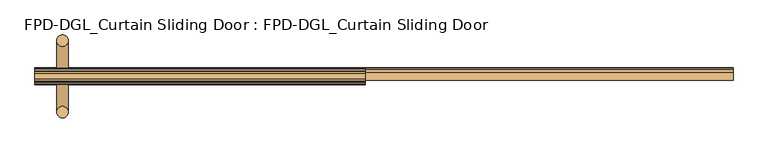
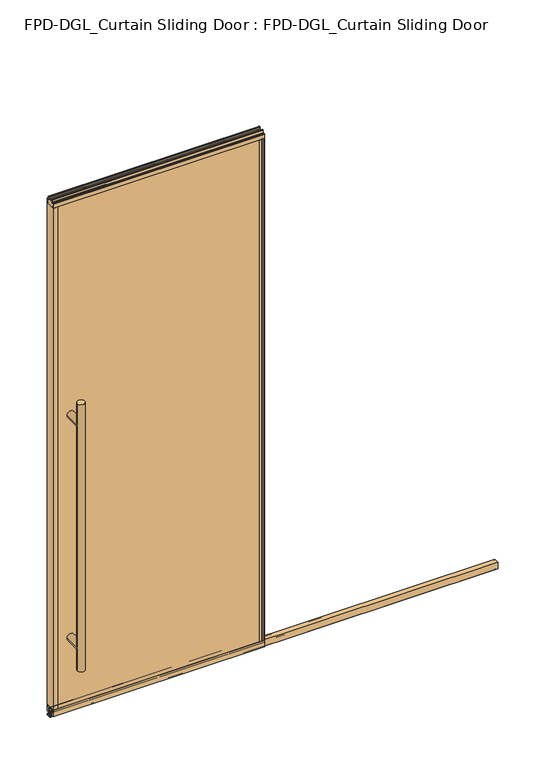
"""IFC4 building model written with IfcOpenShell, lengths in millimetres: door geometry, FPD-DGL_Curtain Sliding Door : FPD-DGL_Curtain Sliding Door."""

import ifcopenshell
import ifcopenshell.guid

model = None  # the IFC model being written
_history = None  # IfcOwnerHistory: only IFC2X3 demands one
_inside = {}  # id of a spatial element -> (the spatial element, [elements in it])
_under = {}  # id of a project, library or spatial element -> (it, [spatial elements below it])
_declared = {}  # id of a project -> (the project, [libraries it declares])
_typed = {}  # id of a type object -> (the type object, [elements of that type])
_made_of = {}  # id of a material, layer set ... -> (it, [elements and type objects made of it])


def new_model(schema):
    """Start an empty IFC model of exactly this schema.

    Asked for "IFC4X3", IfcOpenShell would pick the latest addendum, in which some entities
    have other attributes; the version numbers below select the first issue.
    IFC2X3 requires an IfcOwnerHistory on every rooted entity: one is made here for all.
    """
    global model, _history
    if schema == "IFC4X3":
        model = ifcopenshell.file(schema_version=(4, 3, 0, 0))
    else:
        model = ifcopenshell.file(schema=schema)
    _inside.clear()
    _under.clear()
    _declared.clear()
    _typed.clear()
    _made_of.clear()
    _history = None
    if model.schema == "IFC2X3":
        org = make("IfcOrganization", Name="unknown")
        user = make(
            "IfcPersonAndOrganization",
            ThePerson=make("IfcPerson", FamilyName="unknown"),
            TheOrganization=org,
        )
        app = make(
            "IfcApplication",
            ApplicationDeveloper=org,
            Version="unknown",
            ApplicationFullName="unknown",
            ApplicationIdentifier="unknown",
        )
        _history = make(
            "IfcOwnerHistory",
            OwningUser=user,
            OwningApplication=app,
            ChangeAction="ADDED",
            CreationDate=0,
        )
    return model


def make(cls, **values):
    """One entity of the class cls with the attributes given. An attribute that is None is left unset."""
    return model.create_entity(
        cls, **{name: value for name, value in values.items() if value is not None}
    )


def rooted(cls, **values):
    """An entity with a GlobalId (a new one), such as an element, a storey or a relation."""
    return make(cls, GlobalId=ifcopenshell.guid.new(), OwnerHistory=_history, **values)


def si_unit(unit_type, name, prefix=None):
    """IfcSIUnit, for example si_unit("LENGTHUNIT", "METRE", prefix="MILLI")."""
    return make("IfcSIUnit", UnitType=unit_type, Prefix=prefix, Name=name)


def assignment(units):
    """IfcUnitAssignment: the units of a project."""
    return None if units is None else make("IfcUnitAssignment", Units=units)


def point(xyz):
    """IfcCartesianPoint."""
    return None if xyz is None else make("IfcCartesianPoint", Coordinates=xyz)


def direction(xyz):
    """IfcDirection."""
    return None if xyz is None else make("IfcDirection", DirectionRatios=xyz)


def frame(location, z_axis=None, x_axis=None):
    """IfcAxis2Placement3D, a coordinate frame: its origin and axes. An axis left out is left unset."""
    return make(
        "IfcAxis2Placement3D",
        Location=point(location),
        Axis=direction(z_axis),
        RefDirection=direction(x_axis),
    )


def frame_2d(location, x_axis=None):
    """IfcAxis2Placement2D, a coordinate frame in the plane: its origin and x axis."""
    return make(
        "IfcAxis2Placement2D", Location=point(location), RefDirection=direction(x_axis)
    )


def origin():
    """The frame at (0, 0, 0) with its axes left unset."""
    return frame((0.0, 0.0, 0.0))


def place(relative_to, where):
    """IfcLocalPlacement: puts the frame where relative to a parent placement (None: the world)."""
    return make(
        "IfcLocalPlacement", PlacementRelTo=relative_to, RelativePlacement=where
    )


def context(
    kind, dimensions, precision=None, world=None, true_north=None, identifier=None
):
    """IfcGeometricRepresentationContext, for example the 3D "Model" context."""
    return make(
        "IfcGeometricRepresentationContext",
        ContextIdentifier=identifier,
        ContextType=kind,
        CoordinateSpaceDimension=dimensions,
        Precision=precision,
        WorldCoordinateSystem=world,
        TrueNorth=true_north,
    )


def project(units=None, contexts=None):
    """IfcProject with its units and contexts."""
    return rooted(
        "IfcProject",
        Name="project",
        RepresentationContexts=contexts,
        UnitsInContext=assignment(units),
    )


def spatial(cls, under=None, at=None, **own):
    """A site, building, storey or space (cls), placed at a placement, below another one or the project."""
    s = rooted(cls, ObjectPlacement=at, **own)
    if under is not None:
        _under.setdefault(under.id(), (under, []))[1].append(s)
    return s


def polyline(points):
    """IfcPolyline through the points."""
    return make("IfcPolyline", Points=[point(p) for p in points])


def circle_curve(where, radius):
    """IfcCircle in the frame where."""
    return make("IfcCircle", Position=where, Radius=radius)


def ellipse_curve(where, semi_axis1, semi_axis2):
    """IfcEllipse in the frame where."""
    return make(
        "IfcEllipse", Position=where, SemiAxis1=semi_axis1, SemiAxis2=semi_axis2
    )


def trimmed(basis, trim1, trim2, sense, master):
    """IfcTrimmedCurve: the piece of a basis curve between two trims."""
    return make(
        "IfcTrimmedCurve",
        BasisCurve=basis,
        Trim1=trim1,
        Trim2=trim2,
        SenseAgreement=sense,
        MasterRepresentation=master,
    )


def segment(curve, same_sense, transition):
    """IfcCompositeCurveSegment."""
    return make(
        "IfcCompositeCurveSegment",
        Transition=transition,
        SameSense=same_sense,
        ParentCurve=curve,
    )


def composite_curve(segments, self_intersect=None):
    """IfcCompositeCurve: segments joined end to end."""
    return make("IfcCompositeCurve", Segments=segments, SelfIntersect=self_intersect)


def outline(outer, holes=None, kind="AREA"):
    """IfcArbitraryClosedProfileDef: a profile drawn as a closed curve; with holes, ...WithVoids."""
    if holes is None:
        return make("IfcArbitraryClosedProfileDef", ProfileType=kind, OuterCurve=outer)
    return make(
        "IfcArbitraryProfileDefWithVoids",
        ProfileType=kind,
        OuterCurve=outer,
        InnerCurves=holes,
    )


def extrude(swept, where, along, depth):
    """IfcExtrudedAreaSolid: the profile swept, set in the frame where, extruded along a direction by depth."""
    return make(
        "IfcExtrudedAreaSolid",
        SweptArea=swept,
        Position=where,
        ExtrudedDirection=direction(along),
        Depth=depth,
    )


def shape(context_of_items, identifier, shape_type, items):
    """IfcShapeRepresentation: the items that make up one representation, for example the "Body"."""
    return make(
        "IfcShapeRepresentation",
        ContextOfItems=context_of_items,
        RepresentationIdentifier=identifier,
        RepresentationType=shape_type,
        Items=items,
    )


def source(mapping_origin, context_of_items, identifier, shape_type, items):
    """IfcRepresentationMap: a shape defined once, which mapped items show again and again."""
    return make(
        "IfcRepresentationMap",
        MappingOrigin=mapping_origin,
        MappedRepresentation=shape(context_of_items, identifier, shape_type, items),
    )


def transform(
    local_origin,
    x_axis=None,
    y_axis=None,
    z_axis=None,
    scale=None,
    scale2=None,
    scale3=None,
    uniform=True,
):
    """IfcCartesianTransformationOperator3D, or its non-uniform kind. x_axis, y_axis, z_axis: its Axis1, 2, 3."""
    if uniform:
        return make(
            "IfcCartesianTransformationOperator3D",
            Axis1=direction(x_axis),
            Axis2=direction(y_axis),
            LocalOrigin=point(local_origin),
            Scale=scale,
            Axis3=direction(z_axis),
        )
    return make(
        "IfcCartesianTransformationOperator3DnonUniform",
        Axis1=direction(x_axis),
        Axis2=direction(y_axis),
        LocalOrigin=point(local_origin),
        Scale=scale,
        Axis3=direction(z_axis),
        Scale2=scale2,
        Scale3=scale3,
    )


def mapped(mapping_source, mapping_target):
    """IfcMappedItem: shows the shape of a source again, moved by a transform."""
    return make(
        "IfcMappedItem", MappingSource=mapping_source, MappingTarget=mapping_target
    )


def made_of(thing, what):
    """Note that an element or type object is made of a material, layer set ...; save() writes the relation."""
    if what is not None:
        _made_of.setdefault(what.id(), (what, []))[1].append(thing)
    return thing


def element(
    cls,
    number,
    at=None,
    inside=None,
    cuts=None,
    type_object=None,
    material=None,
    context=None,
    identifier="Body",
    shape_type=None,
    held_by="IfcProductDefinitionShape",
    body=None,
    shapes=None,
    **own,
):
    """One element of the class cls, such as IfcWall. Its Tag is "e" and its number.

    at: its placement. inside: the storey or other place that contains it. cuts: it is an
    opening in that element (IfcRelVoidsElement). A single representation is given by context,
    identifier, shape_type and body (its items); several are given by shapes. held_by: the class
    of the entity that holds the representations. save() writes the other relations.
    """
    e = rooted(cls, Tag="e%d" % number, ObjectPlacement=at, **own)
    if body is not None:
        shapes = [shape(context, identifier, shape_type, body)]
    if shapes is not None:
        e.Representation = make(held_by, Representations=shapes)
    if inside is not None:
        _inside.setdefault(inside.id(), (inside, []))[1].append(e)
    if cuts is not None:
        rooted(
            "IfcRelVoidsElement", RelatingBuildingElement=cuts, RelatedOpeningElement=e
        )
    if type_object is not None:
        _typed.setdefault(type_object.id(), (type_object, []))[1].append(e)
    return made_of(e, material)


def aggregate(whole, parts):
    """IfcRelAggregates: a whole, such as a stair, and the parts it consists of."""
    return rooted("IfcRelAggregates", RelatingObject=whole, RelatedObjects=parts)


def save(model, path):
    """Write the relations noted so far, then the file.

    IfcRelAggregates (storeys below a building ...), IfcRelContainedInSpatialStructure (elements
    in a storey), IfcRelDefinesByType, IfcRelAssociatesMaterial and IfcRelDeclares: one each for
    every whole, place, type object, material and project.
    """
    for whole, parts in _under.values():
        aggregate(whole, parts)
    for where, things in _inside.values():
        rooted(
            "IfcRelContainedInSpatialStructure",
            RelatedElements=things,
            RelatingStructure=where,
        )
    for kind, things in _typed.values():
        rooted("IfcRelDefinesByType", RelatedObjects=things, RelatingType=kind)
    for what, things in _made_of.values():
        rooted("IfcRelAssociatesMaterial", RelatedObjects=things, RelatingMaterial=what)
    for by, libraries in _declared.values():
        rooted("IfcRelDeclares", RelatingContext=by, RelatedDefinitions=libraries)
    model.write(path)


def plane_surface(at):
    """IfcPlane: the flat surface through the origin of the frame at, square to its z axis."""
    return make("IfcPlane", Position=at)


def cylinder_surface(at, radius):
    """IfcCylindricalSurface: all points at the distance radius from the z axis of the frame at."""
    return make("IfcCylindricalSurface", Position=at, Radius=radius)


def advanced_brep(points, edges, surfaces, faces):
    """IfcAdvancedBrep: a solid bounded by faces that lie on surfaces and meet in shared edges.

    An edge is (start, end): straight between two places in points (the first is 0);
    or (start, end, curve); or (start, end, curve, False) where it runs against its curve.
    A face is (place in surfaces, loops), or (place, loops, False) where it looks against
    its surface's normal. A loop lists edges by number (the first is 1), with a minus sign
    where the edge is run from its end to its start. The first loop is the outer one.
    """
    corners = [point(p) for p in points]
    vertices = [make("IfcVertexPoint", VertexGeometry=c) for c in corners]
    made = []
    for start, end, *more in edges:
        made.append(
            make(
                "IfcEdgeCurve",
                EdgeStart=vertices[start],
                EdgeEnd=vertices[end],
                EdgeGeometry=more[0] if more else make("IfcPolyline", Points=[corners[start], corners[end]]),
                SameSense=more[1] if len(more) > 1 else True,
            )
        )
    hull = []
    for where, loops, *sense in faces:
        bounds = []
        for j, loop in enumerate(loops):
            ring = [make("IfcOrientedEdge", EdgeElement=made[abs(k) - 1], Orientation=k > 0) for k in loop]
            bounds.append(
                make(
                    "IfcFaceOuterBound" if j == 0 else "IfcFaceBound",
                    Bound=make("IfcEdgeLoop", EdgeList=ring),
                    Orientation=True,
                )
            )
        hull.append(make("IfcAdvancedFace", Bounds=bounds, FaceSurface=surfaces[where], SameSense=sense[0] if sense else True))
    return make("IfcAdvancedBrep", Outer=make("IfcClosedShell", CfsFaces=hull))


def fpd_dgl_curtain_sliding_door_fpd_dgl_curtain_sliding_door_5f56debf(model_context):
    return source(origin(), model_context, "Body", "SolidModel", [
        advanced_brep(
        [(-364.33125, 98.628049, 1473.2), (-396.08125, 98.628049, 1473.2), (-364.33125, -98.5969566, 1473.2), (-396.08125, -98.5969566, 1473.2), (-364.33125, 98.628049, 254.0), (-396.08125, 98.628049, 254.0), (-364.33125, -98.5969566, 254.0), (-396.08125, -98.5969566, 254.0), (-364.33125, 98.628049, 355.6), (-396.08125, 98.628049, 355.6), (-364.33125, 98.628049, 1371.6), (-396.08125, 98.628049, 1371.6), (-396.08125, -98.5969566, 1371.6), (-396.08125, -98.5969566, 355.6), (-364.33125, -98.5969566, 355.6), (-364.33125, -98.5969566, 1371.6)],
        [
            (0, 1, circle_curve(frame((-380.20625, 98.628049, 1473.2), z_axis=(0.0, 0.0, 1.0), x_axis=(-1.0, 0.0, 0.0)), 15.875)),
            (1, 0, circle_curve(frame((-380.20625, 98.628049, 1473.2), z_axis=(0.0, 0.0, 1.0), x_axis=(-1.0, 0.0, 0.0)), 15.875)),
            (2, 3, circle_curve(frame((-380.20625, -98.5969566, 1473.2), z_axis=(0.0, 0.0, 1.0), x_axis=(-1.0, 0.0, 0.0)), 15.875)),
            (3, 2, circle_curve(frame((-380.20625, -98.5969566, 1473.2), z_axis=(0.0, 0.0, 1.0), x_axis=(-1.0, 0.0, 0.0)), 15.875)),
            (4, 5, circle_curve(frame((-380.20625, 98.628049, 254.0), z_axis=(0.0, 0.0, -1.0), x_axis=(-1.0, 0.0, 0.0)), 15.875)),
            (5, 4, circle_curve(frame((-380.20625, 98.628049, 254.0), z_axis=(0.0, 0.0, -1.0), x_axis=(-1.0, 0.0, 0.0)), 15.875)),
            (6, 7, circle_curve(frame((-380.20625, -98.5969566, 254.0), z_axis=(0.0, 0.0, -1.0), x_axis=(-1.0, 0.0, 0.0)), 15.875)),
            (7, 6, circle_curve(frame((-380.20625, -98.5969566, 254.0), z_axis=(0.0, 0.0, -1.0), x_axis=(-1.0, 0.0, 0.0)), 15.875)),
            (4, 8),
            (8, 9, ellipse_curve(frame((-380.20625, 98.628049, 355.6), z_axis=(0.0, 0.7071067811865525, -0.7071067811865427), x_axis=(0.0, 0.7071067811865427, 0.7071067811865523)), 22.4506403, 15.875)),
            (9, 5),
            (10, 11, ellipse_curve(frame((-380.20625, 98.628049, 1371.6), z_axis=(0.0, 0.7071067811865427, -0.7071067811865525), x_axis=(0.0, 0.7071067811865525, 0.7071067811865425)), 22.4506403, 15.875)),
            (11, 9),
            (9, 8, ellipse_curve(frame((-380.20625, 98.628049, 355.6), z_axis=(0.0, 0.7071067811865427, 0.7071067811865525), x_axis=(0.0, -0.7071067811865525, 0.7071067811865425)), 22.4506403, 15.875)),
            (8, 10),
            (1, 11),
            (11, 10, ellipse_curve(frame((-380.20625, 98.628049, 1371.6), z_axis=(0.0, 0.7071067811865525, 0.7071067811865427), x_axis=(0.0, -0.7071067811865427, 0.7071067811865523)), 22.4506403, 15.875)),
            (10, 0),
            (3, 12),
            (12, 13),
            (13, 7),
            (6, 14),
            (14, 15),
            (15, 2),
            (15, 12, ellipse_curve(frame((-380.20625, -98.5969566, 1371.6), z_axis=(0.0, -0.7071067811865427, 0.7071067811865525), x_axis=(0.0, 0.7071067811865525, 0.7071067811865425)), 22.4506403, 15.875)),
            (13, 14, ellipse_curve(frame((-380.20625, -98.5969566, 355.6), z_axis=(0.0, -0.7071067811865427, -0.7071067811865525), x_axis=(0.0, -0.7071067811865525, 0.7071067811865425)), 22.4506403, 15.875)),
            (14, 13, ellipse_curve(frame((-380.20625, -98.5969566, 355.6), z_axis=(0.0, -0.7071067811865525, 0.7071067811865427), x_axis=(0.0, 0.7071067811865427, 0.7071067811865523)), 22.4506403, 15.875)),
            (12, 15, ellipse_curve(frame((-380.20625, -98.5969566, 1371.6), z_axis=(0.0, -0.7071067811865525, -0.7071067811865427), x_axis=(0.0, -0.7071067811865427, 0.7071067811865523)), 22.4506403, 15.875)),
            (10, 15),
            (12, 11),
            (8, 14),
            (13, 9),
        ],
        [
            plane_surface(frame((-281.0988493, 0.0, 1473.2), z_axis=(0.0, 0.0, 1.0), x_axis=(0.0, 1.0, 0.0))),
            plane_surface(frame((-281.0988493, 0.0, 254.0), z_axis=(0.0, 0.0, -1.0), x_axis=(0.0, 1.0, 0.0))),
            cylinder_surface(frame((-380.20625, 98.628049, 1473.2), z_axis=(0.0, 0.0, 1.0), x_axis=(-1.0, 0.0, 0.0)), 15.875),
            cylinder_surface(frame((-380.20625, -98.5969566, 1473.2), z_axis=(0.0, 0.0, 1.0), x_axis=(-1.0, 0.0, 0.0)), 15.875),
            cylinder_surface(frame((-380.20625, -98.5969566, 1371.6), z_axis=(0.0, 1.0, 0.0), x_axis=(1.0, 0.0, 0.0)), 15.875),
            cylinder_surface(frame((-380.20625, 0.0, 355.6), z_axis=(0.0, 1.0, 0.0), x_axis=(1.0, 0.0, 0.0)), 15.875),
        ],
        [
            (0, [[1, 2]]),
            (0, [[3, 4]]),
            (1, [[5, 6]]),
            (1, [[7, 8]]),
            (2, [[9, 10, 11, -5]]),
            (2, [[12, 13, 14, 15]]),
            (2, [[16, 17, 18, -2]]),
            (2, [[-18, -15, -9, -6, -11, -13, -16, -1]]),
            (3, [[19, 20, 21, -7, 22, 23, 24, -4]]),
            (3, [[-24, 25, -19, -3]]),
            (3, [[-21, 26, -22, -8]]),
            (3, [[27, -20, 28, -23]]),
            (4, [[-12, 29, -28, 30]]),
            (4, [[-25, -29, -17, -30]]),
            (5, [[-10, 31, -26, 32]]),
            (5, [[-27, -31, -14, -32]]),
        ],
    ),
        extrude(outline(composite_curve([segment(polyline([(3.8130206, 1.1714386), (3.8130206, 4.0416386)]), True, "CONTINUOUS"), segment(trimmed(circle_curve(frame_2d((4.9814206, 4.0416386)), 1.1684), [point((3.8130206, 4.0416386))], [point((4.5663812, 5.1338386))], False, "CARTESIAN"), True, "CONTINUOUS"), segment(polyline([(4.5663812, 5.1338386), (7.2737706, 5.1338386), (7.2737706, 4.3138948), (4.5877206, 4.3138948), (4.5877206, 0.7650387), (23.0662203, 0.7650387), (23.0662203, 4.4232339), (20.0711431, 4.4232339), (20.0711431, 5.2100386), (22.6598203, 5.2100386)]), True, "CONTINUOUS"), segment(trimmed(circle_curve(frame_2d((22.6598203, 4.0416386)), 1.1684), [point((22.6598203, 5.2100386))], [point((23.8282203, 4.0416386))], False, "CARTESIAN"), True, "CONTINUOUS"), segment(polyline([(23.8282203, 4.0416386), (23.8282203, 1.1714386)]), True, "CONTINUOUS"), segment(trimmed(circle_curve(frame_2d((22.6598203, 1.1714386)), 1.1684), [point((23.8282203, 1.1714386))], [point((22.6598203, 0.0030387))], False, "CARTESIAN"), True, "CONTINUOUS"), segment(polyline([(22.6598203, 0.0030387), (4.9814206, 0.0030387)]), True, "CONTINUOUS"), segment(trimmed(circle_curve(frame_2d((4.9814206, 1.1714386)), 1.1684), [point((4.9814206, 0.0030387))], [point((3.8130206, 1.1714386))], False, "CARTESIAN"), True, "CONTINUOUS")], self_intersect=False)), frame((-456.40625, 0.0, 0.0), z_axis=(1.0, 0.0, 0.0), x_axis=(0.0, 1.0, 0.0)), (0.0, 0.0, 1.0), 1928.8125),
        extrude(outline(composite_curve([segment(polyline([(-10.9646139, 41.6030387), (10.9353859, 41.6030387), (10.9353859, 11.6839647), (9.435298, 11.6839647), (9.435298, 39.1709995)]), True, "CONTINUOUS"), segment(trimmed(circle_curve(frame_2d((8.5030373, 39.1709995)), 0.9322606), [point((9.435298, 39.1709995))], [point((8.5030373, 40.1032601))], True, "CARTESIAN"), True, "CONTINUOUS"), segment(polyline([(8.5030373, 40.1032601), (3.4142598, 40.1032601)]), True, "CONTINUOUS"), segment(trimmed(circle_curve(frame_2d((3.4142598, 39.1243868)), 0.9788733), [point((3.4142598, 40.1032601))], [point((2.4353865, 39.1243868))], True, "CARTESIAN"), True, "CONTINUOUS"), segment(polyline([(2.4353865, 39.1243868), (2.4353865, 11.6839647), (0.8353862, 11.6839647), (0.8353862, 33.5017657), (-0.5544462, 33.5017657), (-0.5544462, 34.3040626), (0.8353862, 34.3040626), (0.8353862, 35.6040627), (-9.9646139, 35.6040627), (-9.9646139, 34.3040626), (-8.5747815, 34.3040626), (-8.5747815, 33.5017657), (-9.9646139, 33.5017657), (-9.9646139, 11.6839647), (-10.9646139, 11.6839647), (-10.9646139, 41.6030387)]), True, "CONTINUOUS")], self_intersect=False)), frame((-456.40625, 0.0, 0.0), z_axis=(1.0, 0.0, 0.0), x_axis=(0.0, 1.0, 0.0)), (0.0, 0.0, 1.0), 1928.8125),
        extrude(outline(composite_curve([segment(polyline([(14.3241903, 48.6471016), (14.3241903, 47.6299627), (12.9571771, 47.6299627), (12.9571771, 41.3613764)]), True, "CONTINUOUS"), segment(trimmed(circle_curve(frame_2d((15.272652, 41.3613764)), 2.3154748), [point((12.9571771, 41.3613764))], [point((15.272652, 39.0459016))], True, "CARTESIAN"), True, "CONTINUOUS"), segment(polyline([(15.272652, 39.0459016), (20.2603754, 39.0522555)]), True, "CONTINUOUS"), segment(trimmed(circle_curve(frame_2d((20.162177, 39.8079016)), 0.762), [point((20.2603754, 39.0522555))], [point((20.924177, 39.8079016))], True, "CARTESIAN"), True, "CONTINUOUS"), segment(polyline([(20.924177, 39.8079016), (20.924177, 48.6471016), (22.2241745, 48.6471016), (22.2241745, 19.0059017), (13.1027622, 19.0059017), (13.1027622, 15.875), (11.1984721, 15.875), (11.1984721, 47.0470737), (-11.1984721, 47.0470737), (-11.1984721, 15.875), (-13.1027622, 15.875), (-13.1027622, 19.0059017), (-22.2241745, 19.0059017), (-22.2241745, 48.6471016), (-20.924177, 48.6471016), (-20.924177, 39.8079016)]), True, "CONTINUOUS"), segment(trimmed(circle_curve(frame_2d((-20.162177, 39.8079016)), 0.762), [point((-20.924177, 39.8079016))], [point((-20.2603754, 39.0522555))], True, "CARTESIAN"), True, "CONTINUOUS"), segment(polyline([(-20.2603754, 39.0522555), (-15.272652, 39.0459016)]), True, "CONTINUOUS"), segment(trimmed(circle_curve(frame_2d((-15.272652, 41.3613764)), 2.3154748), [point((-15.272652, 39.0459016))], [point((-12.9571771, 41.3613764))], True, "CARTESIAN"), True, "CONTINUOUS"), segment(polyline([(-12.9571771, 41.3613764), (-12.9571771, 47.6299627), (-14.3241903, 47.6299627), (-14.3241903, 48.6471016), (14.3241903, 48.6471016)]), True, "CONTINUOUS")], self_intersect=False)), frame((-456.40625, 0.0, 0.0), z_axis=(1.0, 0.0, 0.0), x_axis=(0.0, 1.0, 0.0)), (0.0, 0.0, 1.0), 912.8125),
        extrude(outline(composite_curve([segment(polyline([(8.3999825, 2373.0296458), (13.4046588, 2373.0296458)]), True, "CONTINUOUS"), segment(trimmed(circle_curve(frame_2d((13.4046588, 2372.4343333)), 0.5953125), [point((13.4046588, 2373.0296458))], [point((13.9999713, 2372.4343333))], False, "CARTESIAN"), True, "CONTINUOUS"), segment(polyline([(13.9999713, 2372.4343333), (13.9999713, 2361.0663318)]), True, "CONTINUOUS"), segment(trimmed(circle_curve(frame_2d((15.9190752, 2361.0663318)), 1.919104), [point((13.9999713, 2361.0663318))], [point((15.9190752, 2359.1472278))], True, "CARTESIAN"), True, "CONTINUOUS"), segment(polyline([(15.9190752, 2359.1472278), (21.4249568, 2359.1472278)]), True, "CONTINUOUS"), segment(trimmed(circle_curve(frame_2d((21.4249568, 2358.3472293)), 0.7999985), [point((21.4249568, 2359.1472278))], [point((22.2249554, 2358.3472293))], False, "CARTESIAN"), True, "CONTINUOUS"), segment(polyline([(22.2249554, 2358.3472293), (22.2249554, 2339.4622278), (20.9249577, 2339.4622278), (20.9249577, 2349.5622078)]), True, "CONTINUOUS"), segment(trimmed(circle_curve(frame_2d((20.4249587, 2349.5622078)), 0.499999), [point((20.9249577, 2349.5622078))], [point((20.4249587, 2350.0622068))], True, "CARTESIAN"), True, "CONTINUOUS"), segment(polyline([(20.4249587, 2350.0622068), (14.3249711, 2350.0622068), (14.3249711, 2339.4622278), (-14.3249714, 2339.4622278), (-14.3249714, 2350.0622068), (-20.4249587, 2350.0622068)]), True, "CONTINUOUS"), segment(trimmed(circle_curve(frame_2d((-20.4249587, 2349.5622078)), 0.499999), [point((-20.4249587, 2350.0622068))], [point((-20.9249577, 2349.5622078))], True, "CARTESIAN"), True, "CONTINUOUS"), segment(polyline([(-20.9249577, 2349.5622078), (-20.9249577, 2339.4622278), (-22.2249551, 2339.4622278), (-22.2249551, 2358.3472293)]), True, "CONTINUOUS"), segment(trimmed(circle_curve(frame_2d((-21.4249567, 2358.3472293)), 0.7999984), [point((-22.2249551, 2358.3472293))], [point((-21.4249567, 2359.1472277))], False, "CARTESIAN"), True, "CONTINUOUS"), segment(polyline([(-21.4249567, 2359.1472277), (-15.9190752, 2359.1472277)]), True, "CONTINUOUS"), segment(trimmed(circle_curve(frame_2d((-15.9190752, 2361.0663317)), 1.919104), [point((-15.9190752, 2359.1472277))], [point((-13.9999713, 2361.0663317))], True, "CARTESIAN"), True, "CONTINUOUS"), segment(polyline([(-13.9999713, 2361.0663317), (-13.9999713, 2372.4343333)]), True, "CONTINUOUS"), segment(trimmed(circle_curve(frame_2d((-13.4046588, 2372.4343333)), 0.5953125), [point((-13.9999713, 2372.4343333))], [point((-13.4046588, 2373.0296458))], False, "CARTESIAN"), True, "CONTINUOUS"), segment(polyline([(-13.4046588, 2373.0296458), (-8.3999825, 2373.0296458), (-8.3999825, 2371.0296498), (-11.9999752, 2371.0296498), (-11.9999752, 2362.5296668)]), True, "CONTINUOUS"), segment(trimmed(circle_curve(frame_2d((-11.4999762, 2362.5296668)), 0.499999), [point((-11.9999752, 2362.5296668))], [point((-11.4999762, 2362.0296678))], True, "CARTESIAN"), True, "CONTINUOUS"), segment(polyline([(-11.4999762, 2362.0296678), (11.4999762, 2362.0296678)]), True, "CONTINUOUS"), segment(trimmed(circle_curve(frame_2d((11.4999762, 2362.5296668)), 0.499999), [point((11.4999762, 2362.0296678))], [point((11.9999752, 2362.5296668))], True, "CARTESIAN"), True, "CONTINUOUS"), segment(polyline([(11.9999752, 2362.5296668), (11.9999752, 2371.0296498), (8.3999825, 2371.0296498), (8.3999825, 2373.0296458)]), True, "CONTINUOUS")], self_intersect=False)), frame((-456.40625, 0.0, 0.0), z_axis=(1.0, 0.0, 0.0), x_axis=(0.0, 1.0, 0.0)), (0.0, 0.0, 1.0), 912.8125),
        extrude(outline(polyline([(446.4694011, -20.9265993), (-446.4694011, -20.9265993), (-446.4694011, -14.325), (446.4694011, -14.325), (446.4694011, -20.9265993)])), frame((0.0, 0.0, 39.1580021), z_axis=(0.0, 0.0, 1.0), x_axis=(1.0, 0.0, 0.0)), (0.0, 0.0, 1.0), 2310.6376625),
        extrude(outline(polyline([(-446.4694011, 14.325), (-446.4694011, 20.9265993), (446.4694011, 20.9265993), (446.4694011, 14.325), (-446.4694011, 14.325)])), frame((0.0, 0.0, 39.1580021), z_axis=(0.0, 0.0, 1.0), x_axis=(1.0, 0.0, 0.0)), (0.0, 0.0, 1.0), 2310.6376625),
        extrude(outline(composite_curve([segment(polyline([(-456.40625, -22.225), (-456.40625, 22.225), (-435.8694011, 22.225), (-435.8694011, 20.9266), (-445.9402074, 20.9266)]), True, "CONTINUOUS"), segment(trimmed(circle_curve(frame_2d((-445.9402074, 20.3974063)), 0.5291937), [point((-445.9402074, 20.9266))], [point((-446.4694011, 20.3974063))], True, "CARTESIAN"), True, "CONTINUOUS"), segment(polyline([(-446.4694011, 20.3974063), (-446.4694011, 18.4404), (-447.6694009, 18.4404), (-447.6694009, 20.9202), (-454.6028499, 20.9202), (-454.6028499, 9.245198), (-447.6694009, 9.245198), (-447.6694009, 14.325), (-435.8694011, 14.325), (-435.8694011, -14.325), (-447.6694009, -14.325), (-447.6694009, -9.245198), (-454.6028499, -9.245198), (-454.6028499, -20.9202), (-447.6694009, -20.9202), (-447.6694009, -18.4404), (-446.4694011, -18.4404), (-446.4694011, -20.4185993)]), True, "CONTINUOUS"), segment(trimmed(circle_curve(frame_2d((-445.9614011, -20.4185993)), 0.508), [point((-446.4694011, -20.4185993))], [point((-445.9614011, -20.9265993))], True, "CARTESIAN"), True, "CONTINUOUS"), segment(polyline([(-445.9614011, -20.9265993), (-435.8694011, -20.9265993), (-435.8694011, -22.225), (-456.40625, -22.225)]), True, "CONTINUOUS")], self_intersect=False)), frame((0.0, 0.0, 48.6471016), z_axis=(0.0, 0.0, 1.0), x_axis=(1.0, 0.0, 0.0)), (0.0, 0.0, 1.0), 2290.8151262),
        extrude(outline(composite_curve([segment(polyline([(456.40625, -22.225), (435.8694011, -22.225), (435.8694011, -20.9265993), (445.9614011, -20.9265993)]), True, "CONTINUOUS"), segment(trimmed(circle_curve(frame_2d((445.9614011, -20.4185993)), 0.508), [point((445.9614011, -20.9265993))], [point((446.4694011, -20.4185993))], True, "CARTESIAN"), True, "CONTINUOUS"), segment(polyline([(446.4694011, -20.4185993), (446.4694011, -18.4404), (447.6694009, -18.4404), (447.6694009, -20.9202), (454.6028499, -20.9202), (454.6028499, -9.245198), (447.6694009, -9.245198), (447.6694009, -14.325), (435.8694011, -14.325), (435.8694011, 14.325), (447.6694009, 14.325), (447.6694009, 9.245198), (454.6028499, 9.245198), (454.6028499, 20.9202), (447.6694009, 20.9202), (447.6694009, 18.4404), (446.4694011, 18.4404), (446.4694011, 20.3974063)]), True, "CONTINUOUS"), segment(trimmed(circle_curve(frame_2d((445.9402074, 20.3974063)), 0.5291937), [point((446.4694011, 20.3974063))], [point((445.9402074, 20.9266))], True, "CARTESIAN"), True, "CONTINUOUS"), segment(polyline([(445.9402074, 20.9266), (435.869401, 20.9266), (435.869401, 22.225), (456.40625, 22.225), (456.40625, -22.225)]), True, "CONTINUOUS")], self_intersect=False)), frame((0.0, 0.0, 48.6471016), z_axis=(0.0, 0.0, 1.0), x_axis=(1.0, 0.0, 0.0)), (0.0, 0.0, 1.0), 2290.8151262),
    ])


if __name__ == "__main__":
    model = new_model("IFC4")
    model_context = context("Model", 3, world=origin())
    ifc_project = project(units=[si_unit("LENGTHUNIT", "METRE", prefix="MILLI")], contexts=[model_context])
    site = spatial("IfcSite", under=ifc_project)
    building = spatial("IfcBuilding", under=site)
    placement = place(None, origin())
    fpd_dgl_curtain_sliding_door_fpd_dgl_curtain_sliding_door_shape = fpd_dgl_curtain_sliding_door_fpd_dgl_curtain_sliding_door_5f56debf(model_context)
    element("IfcDoor", 1, ObjectType="FPD-DGL_Curtain Sliding Door : FPD-DGL_Curtain Sliding Door", at=placement, inside=building, context=model_context, shape_type="MappedRepresentation", body=[
        mapped(fpd_dgl_curtain_sliding_door_fpd_dgl_curtain_sliding_door_shape, transform((0.0, 0.0, 0.0), x_axis=(1.0, 0.0, 0.0), y_axis=(0.0, 1.0, 0.0), z_axis=(0.0, 0.0, 1.0))),
    ])
    save(model, "model.ifc")
